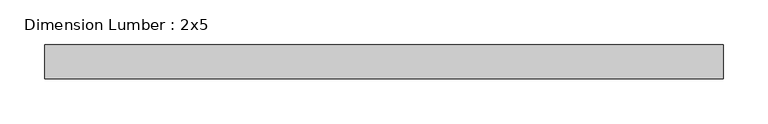
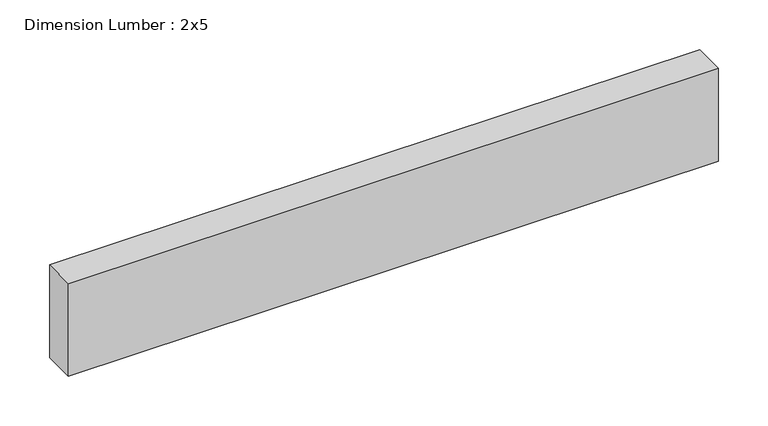
"""IFC4 building model written with IfcOpenShell, lengths in millimetres: beam geometry, Dimension Lumber : 2x5."""

from ifc_helpers import new_model, si_unit, frame, origin, place, context, project, spatial, polyline, outline, extrude, source, transform, mapped, element, save


def dimension_lumber_2x5_20effe61(model_context):
    return source(origin(), model_context, "Body", "SweptSolid", [
        extrude(outline(polyline([(378.5398732, 19.05), (378.5398732, -19.05), (-378.5398732, -19.05), (-378.5398732, 19.05), (378.5398732, 19.05)])), frame((0.0, 0.0, -57.15), z_axis=(0.0, 0.0, 1.0), x_axis=(1.0, 0.0, 0.0)), (0.0, 0.0, 1.0), 114.3),
    ])


if __name__ == "__main__":
    model = new_model("IFC4")
    model_context = context("Model", 3, world=origin())
    ifc_project = project(units=[si_unit("LENGTHUNIT", "METRE", prefix="MILLI")], contexts=[model_context])
    site = spatial("IfcSite", under=ifc_project)
    building = spatial("IfcBuilding", under=site)
    placement = place(None, origin())
    dimension_lumber_2x5_shape = dimension_lumber_2x5_20effe61(model_context)
    element("IfcBeam", 1, ObjectType="Dimension Lumber : 2x5", at=placement, inside=building, context=model_context, shape_type="MappedRepresentation", body=[
        mapped(dimension_lumber_2x5_shape, transform((0.0, 0.0, 0.0), x_axis=(1.0, 0.0, 0.0), y_axis=(0.0, 1.0, 0.0), z_axis=(0.0, 0.0, 1.0))),
    ])
    save(model, "model.ifc")
